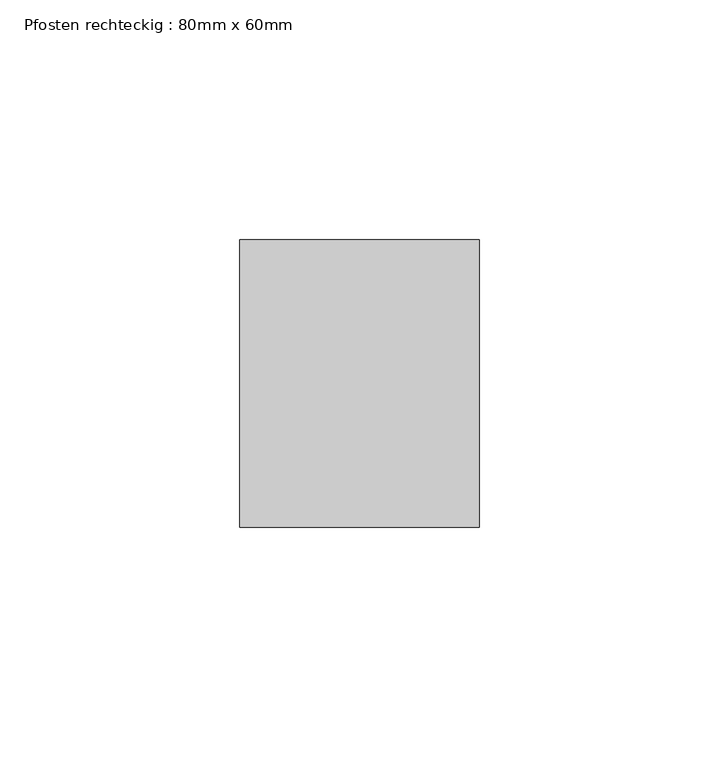
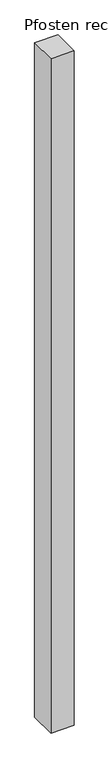
"""IFC4 building model written with IfcOpenShell, lengths in millimetres: member geometry, Pfosten rechteckig : 80mm x 60mm."""

from ifc_helpers import new_model, si_unit, frame, origin, place, context, project, spatial, polyline, outline, extrude, source, transform, mapped, element, save


def pfosten_rechteckig_80mm_x_60mm_48796767(model_context):
    return source(origin(), model_context, "Body", "SweptSolid", [
        extrude(outline(polyline([(0.0, 30.0), (0.0, -30.0), (-50.0, -30.0), (-50.0, 30.0), (0.0, 30.0)])), frame((0.0, 0.0, -1525.0), z_axis=(0.0, 0.0, 1.0), x_axis=(1.0, 0.0, 0.0)), (0.0, 0.0, 1.0), 1525.0),
    ])


if __name__ == "__main__":
    model = new_model("IFC4")
    model_context = context("Model", 3, world=origin())
    ifc_project = project(units=[si_unit("LENGTHUNIT", "METRE", prefix="MILLI")], contexts=[model_context])
    site = spatial("IfcSite", under=ifc_project)
    building = spatial("IfcBuilding", under=site)
    placement = place(None, origin())
    pfosten_rechteckig_80mm_x_60mm_shape = pfosten_rechteckig_80mm_x_60mm_48796767(model_context)
    element("IfcMember", 1, ObjectType="Pfosten rechteckig : 80mm x 60mm", at=placement, inside=building, context=model_context, shape_type="MappedRepresentation", body=[
        mapped(pfosten_rechteckig_80mm_x_60mm_shape, transform((0.0, 0.0, 0.0), x_axis=(1.0, 0.0, 0.0), y_axis=(0.0, 1.0, 0.0), z_axis=(0.0, 0.0, 1.0))),
    ])
    save(model, "model.ifc")
